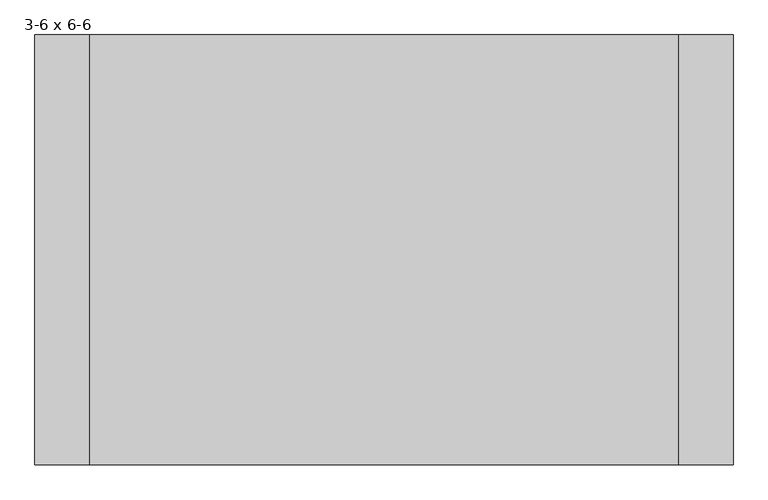
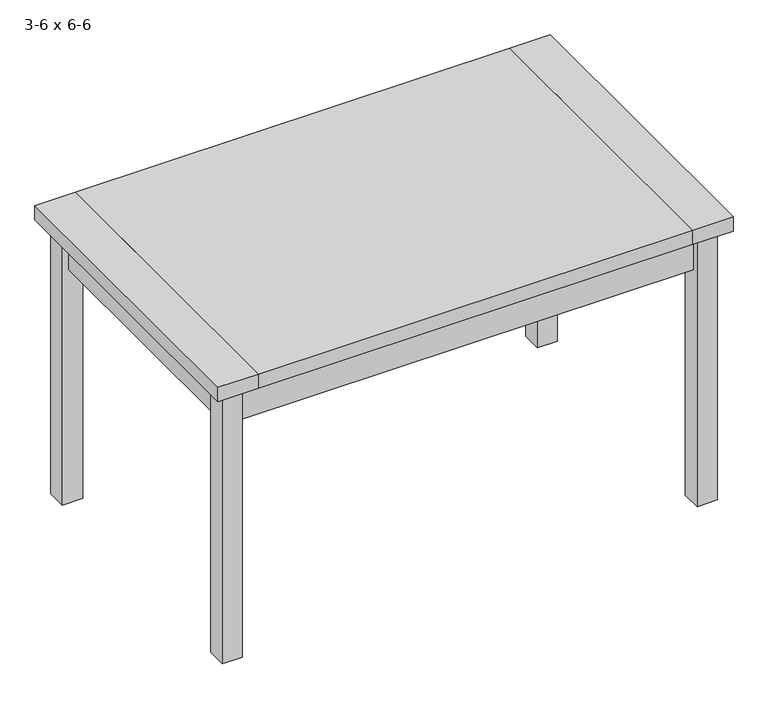
"""IFC4 building model written with IfcOpenShell, lengths in millimetres: furniture geometry, 3-6 x 6-6."""

from ifc_helpers import new_model, si_unit, frame, origin, origin_with_axes, place, context, project, spatial, polyline, outline, extrude, source, transform, mapped, element, save


def furniture_3_6_x_6_6_9e8d456a(model_context):
    return source(origin(), model_context, "Body", "SweptSolid", [
        extrude(outline(polyline([(548.4, -400.0), (548.4, 400.0), (650.0, 400.0), (650.0, -400.0), (548.4, -400.0)])), frame((0.0, 0.0, 723.9), z_axis=(0.0, 0.0, 1.0), x_axis=(1.0, 0.0, 0.0)), (0.0, 0.0, 1.0), 38.1),
        extrude(outline(polyline([(-548.4, -400.0), (-650.0, -400.0), (-650.0, 400.0), (-548.4, 400.0), (-548.4, -400.0)])), frame((0.0, 0.0, 723.9), z_axis=(0.0, 0.0, 1.0), x_axis=(1.0, 0.0, 0.0)), (0.0, 0.0, 1.0), 38.1),
        extrude(outline(polyline([(573.8, 339.675), (-573.8, 339.675), (-573.8, 358.725), (573.8, 358.725), (573.8, 339.675)])), frame((0.0, 0.0, 622.3), z_axis=(0.0, 0.0, 1.0), x_axis=(1.0, 0.0, 0.0)), (0.0, 0.0, 1.0), 101.6),
        extrude(outline(polyline([(548.4, -400.0), (-548.4, -400.0), (-548.4, 400.0), (548.4, 400.0), (548.4, -400.0)])), frame((0.0, 0.0, 723.9), z_axis=(0.0, 0.0, 1.0), x_axis=(1.0, 0.0, 0.0)), (0.0, 0.0, 1.0), 38.1),
        extrude(outline(polyline([(-589.675, 323.8), (-589.675, -323.8), (-608.725, -323.8), (-608.725, 323.8), (-589.675, 323.8)])), frame((0.0, 0.0, 622.3), z_axis=(0.0, 0.0, 1.0), x_axis=(1.0, 0.0, 0.0)), (0.0, 0.0, 1.0), 101.6),
        extrude(outline(polyline([(589.675, 323.8), (608.725, 323.8), (608.725, -323.8), (589.675, -323.8), (589.675, 323.8)])), frame((0.0, 0.0, 622.3), z_axis=(0.0, 0.0, 1.0), x_axis=(1.0, 0.0, 0.0)), (0.0, 0.0, 1.0), 101.6),
        extrude(outline(polyline([(573.8, -339.675), (573.8, -358.725), (-573.8, -358.725), (-573.8, -339.675), (573.8, -339.675)])), frame((0.0, 0.0, 622.3), z_axis=(0.0, 0.0, 1.0), x_axis=(1.0, 0.0, 0.0)), (0.0, 0.0, 1.0), 101.6),
        extrude(outline(polyline([(-573.8, 374.6), (-573.8, 323.8), (-624.6, 323.8), (-624.6, 374.6), (-573.8, 374.6)])), origin_with_axes(), (0.0, 0.0, 1.0), 723.9),
        extrude(outline(polyline([(573.8, 374.6), (624.6, 374.6), (624.6, 323.8), (573.8, 323.8), (573.8, 374.6)])), origin_with_axes(), (0.0, 0.0, 1.0), 723.9),
        extrude(outline(polyline([(573.8, -374.6), (573.8, -323.8), (624.6, -323.8), (624.6, -374.6), (573.8, -374.6)])), origin_with_axes(), (0.0, 0.0, 1.0), 723.9),
        extrude(outline(polyline([(-573.8, -374.6), (-624.6, -374.6), (-624.6, -323.8), (-573.8, -323.8), (-573.8, -374.6)])), origin_with_axes(), (0.0, 0.0, 1.0), 723.9),
    ])


if __name__ == "__main__":
    model = new_model("IFC4")
    model_context = context("Model", 3, world=origin())
    ifc_project = project(units=[si_unit("LENGTHUNIT", "METRE", prefix="MILLI")], contexts=[model_context])
    site = spatial("IfcSite", under=ifc_project)
    building = spatial("IfcBuilding", under=site)
    placement = place(None, origin())
    furniture_3_6_x_6_6_shape = furniture_3_6_x_6_6_9e8d456a(model_context)
    element("IfcFurniture", 1, ObjectType="3-6 x 6-6", at=placement, inside=building, context=model_context, shape_type="MappedRepresentation", body=[
        mapped(furniture_3_6_x_6_6_shape, transform((0.0, 0.0, 0.0), x_axis=(1.0, 0.0, 0.0), y_axis=(0.0, 1.0, 0.0), z_axis=(0.0, 0.0, 1.0))),
    ])
    save(model, "model.ifc")
